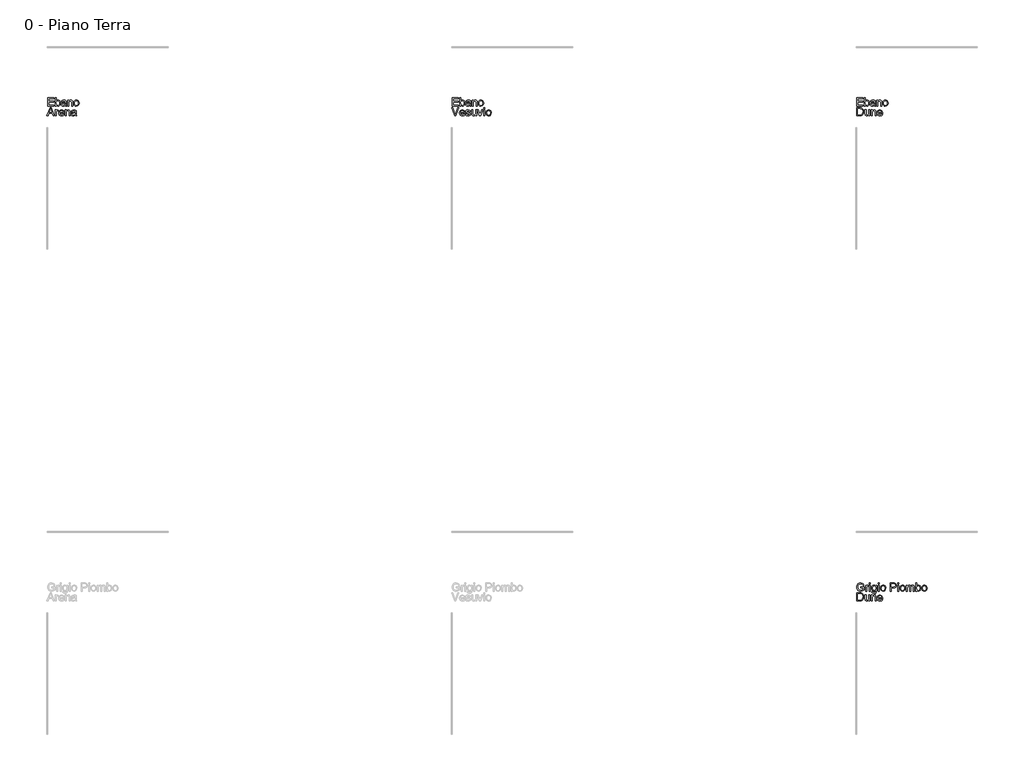
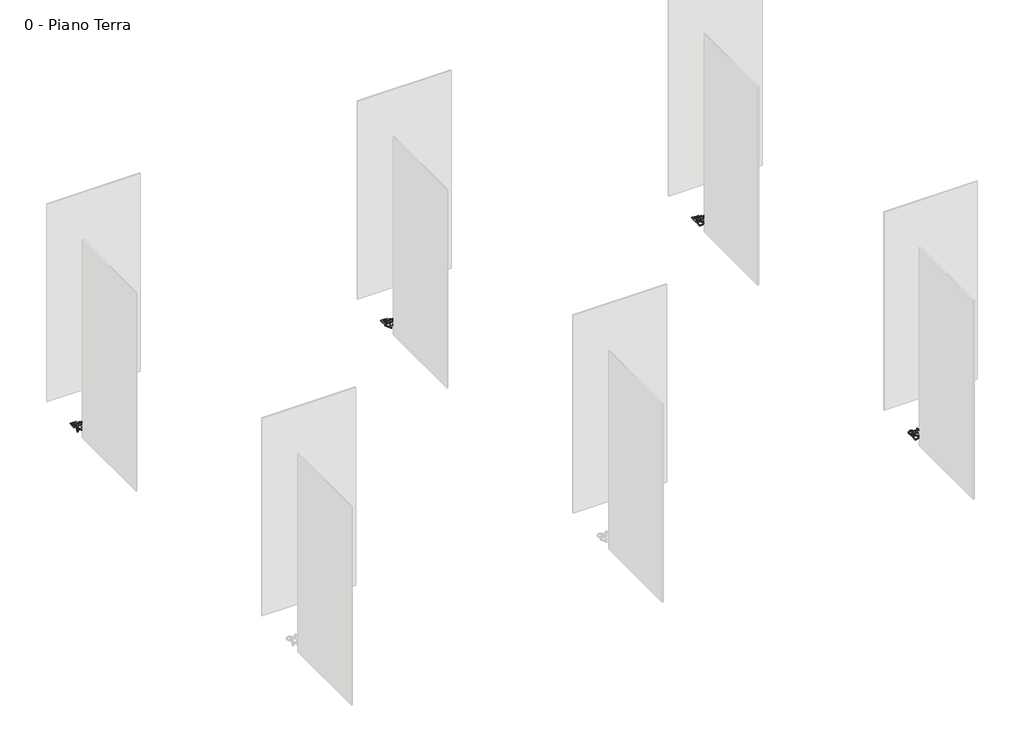
# One storey, part 9 of 35: 4 proxies.
"""IFC4 building model written with IfcOpenShell, lengths in millimetres."""

from ifc_helpers import new_model, si_unit, origin, origin_with_axes, place, context, project, spatial, polyline, outline, extrude, element, save

model = new_model("IFC4")

# Units and contexts
model_context = context("Model", 3, world=origin())
ifc_project = project(units=[si_unit("LENGTHUNIT", "METRE", prefix="MILLI")], contexts=[model_context])

# Site, building, storey
site = spatial("IfcSite", under=ifc_project)
building = spatial("IfcBuilding", under=site)
storey = spatial("IfcBuildingStorey", under=building, Name="0 - Piano Terra", Elevation=0.0)

# Proxies
placement = place(None, origin())
element("IfcBuildingElementProxy", 1, Name="Testo modello 1", ObjectType="Testo modello 1", at=placement, inside=storey, context=model_context, shape_type="SweptSolid", body=[
    extrude(outline(polyline([(-2268.2707509, -36273.7592352), (-2268.2707509, -36173.302925), (-2196.067778, -36173.302925), (-2196.067778, -36185.8599638), (-2255.7137122, -36185.8599638), (-2255.7137122, -36215.6829308), (-2199.2070377, -36215.6829308), (-2199.2070377, -36228.2399696), (-2255.7137122, -36228.2399696), (-2255.7137122, -36261.2021964), (-2194.4981482, -36261.2021964), (-2194.4981482, -36273.7592352), (-2268.2707509, -36273.7592352)])), origin_with_axes(), (0.0, 0.0, 1.0), 10.0),
    extrude(outline(polyline([(-2164.6751811, -36273.7592352), (-2177.2322199, -36273.7592352), (-2177.2322199, -36173.302925), (-2164.6751811, -36173.302925), (-2164.6751811, -36210.5571084), (-2155.8828014, -36201.452029), (-2144.9567061, -36198.4170025), (-2132.3751419, -36201.151592), (-2122.6140063, -36208.8403257), (-2116.6175298, -36220.7964906), (-2114.447026, -36235.7692878), (-2116.6941719, -36252.532444), (-2123.4356094, -36265.0036437), (-2133.3285694, -36272.7475597), (-2145.0302825, -36275.328865), (-2156.1955011, -36271.9995329), (-2164.6751811, -36262.0115368), (-2164.6751811, -36273.7592352)]), holes=[polyline([(-2164.6751811, -36236.357899), (-2161.2416158, -36253.9181329), (-2154.6626594, -36260.5584029), (-2146.1094031, -36262.7718262), (-2138.8621278, -36261.1408827), (-2132.6694475, -36256.2480522), (-2128.4204105, -36248.1239915), (-2127.0040648, -36236.7993574), (-2128.3621625, -36225.3091764), (-2132.4364556, -36217.2770862), (-2138.4359978, -36212.5498025), (-2145.5698428, -36210.9740413), (-2152.8171181, -36212.6049848), (-2159.0097984, -36217.4978154), (-2163.2588354, -36225.4747233), (-2164.6751811, -36236.357899)])]), origin_with_axes(), (0.0, 0.0, 1.0), 10.0),
    extrude(outline(polyline([(-2053.231462, -36264.3414561), (-2065.4083561, -36272.8517929), (-2078.8605743, -36275.328865), (-2089.3544083, -36273.8389429), (-2097.0952586, -36269.3691767), (-2101.8685275, -36262.5817539), (-2103.4596171, -36254.1388621), (-2101.0561214, -36244.2060482), (-2094.7408138, -36236.9955611), (-2085.9484341, -36232.8752828), (-2075.0836525, -36230.9868218), (-2053.3050384, -36226.6703398), (-2053.231462, -36223.8744366), (-2056.6895528, -36214.6038103), (-2070.5709667, -36210.9740413), (-2083.2751583, -36213.3897997), (-2089.3329485, -36221.9614502), (-2101.8899872, -36220.3918204), (-2096.4575964, -36208.1290872), (-2085.5192385, -36200.9431256), (-2068.9522859, -36198.4170025), (-2053.7342341, -36200.64882), (-2045.1380581, -36206.252889), (-2041.2875599, -36214.7754886), (-2040.6744232, -36225.7628975), (-2040.6744232, -36241.3856196), (-2040.0367611, -36263.2010219), (-2037.5351635, -36273.7592352), (-2050.0922023, -36273.7592352), (-2053.231462, -36264.3414561)]), holes=[polyline([(-2053.231462, -36239.2273785), (-2073.4894972, -36243.0778768), (-2084.2929651, -36245.1134905), (-2089.1857957, -36248.4244284), (-2090.9025783, -36253.2559453), (-2087.1624447, -36260.0494995), (-2076.1872985, -36262.7718262), (-2063.4831069, -36259.7674566), (-2055.2916012, -36252.4956558), (-2053.3050384, -36242.7835712), (-2053.231462, -36239.2273785)])]), origin_with_axes(), (0.0, 0.0, 1.0), 10.0),
    extrude(outline(polyline([(-2023.4084949, -36273.7592352), (-2023.4084949, -36199.9866324), (-2010.8514562, -36199.9866324), (-2010.8514562, -36210.2873283), (-2001.2497361, -36201.384584), (-1988.1408743, -36198.4170025), (-1976.2828114, -36200.8082355), (-1968.1894075, -36207.0867549), (-1964.4247484, -36216.320593), (-1963.7625608, -36228.4606988), (-1963.7625608, -36273.7592352), (-1976.3195996, -36273.7592352), (-1976.3195996, -36230.152956), (-1977.7666021, -36219.0429197), (-1982.8801618, -36213.1690705), (-1991.5008632, -36210.9740413), (-2005.1247598, -36215.90366), (-2009.4197821, -36223.0467021), (-2010.8514562, -36234.6165909), (-2010.8514562, -36273.7592352), (-2023.4084949, -36273.7592352)])), origin_with_axes(), (0.0, 0.0, 1.0), 10.0),
    extrude(outline(polyline([(-1949.6358922, -36236.8729338), (-1946.9196968, -36219.0858393), (-1938.7711106, -36206.5839828), (-1928.7034066, -36200.4587476), (-1916.6491399, -36198.4170025), (-1903.4575047, -36200.9032717), (-1892.9207512, -36208.3620791), (-1886.0137668, -36220.2048137), (-1883.7114386, -36235.8428642), (-1887.782666, -36258.185564), (-1899.640729, -36270.8284419), (-1916.6491399, -36275.328865), (-1930.0001907, -36272.8517929), (-1940.5246814, -36265.4205766), (-1947.3580895, -36253.3295217), (-1949.6358922, -36236.8729338)]), holes=[polyline([(-1937.0788534, -36236.8484083), (-1935.6257195, -36248.2128963), (-1931.2663179, -36256.3093658), (-1924.7057556, -36261.1562111), (-1916.6491399, -36262.7718262), (-1908.6293124, -36261.1470141), (-1902.0810129, -36256.2725776), (-1897.7216113, -36248.0688092), (-1896.2684774, -36236.4560008), (-1897.7308083, -36225.4226067), (-1902.1178011, -36217.4365017), (-1908.6752977, -36212.5896564), (-1916.6491399, -36210.9740413), (-1924.7057556, -36212.583525), (-1931.2663179, -36217.4119762), (-1935.6257195, -36225.4900517), (-1937.0788534, -36236.8484083)])]), origin_with_axes(), (0.0, 0.0, 1.0), 10.0),
    extrude(outline(polyline([(-2268.2707509, -36395.734053), (-2268.2707509, -36295.2777428), (-2233.616267, -36295.2777428), (-2215.6881511, -36296.7247454), (-2200.9238203, -36303.910707), (-2189.0289692, -36321.0785334), (-2185.0803691, -36344.9663377), (-2187.7536449, -36365.2366356), (-2194.6207755, -36379.8660763), (-2203.7932999, -36388.977287), (-2215.7985157, -36394.0172704), (-2231.9485353, -36395.734053), (-2268.2707509, -36395.734053)]), holes=[polyline([(-2255.7137122, -36383.1770142), (-2233.4936396, -36383.1770142), (-2217.3313573, -36381.3621297), (-2208.0116801, -36376.2363073), (-2200.3719973, -36363.7651076), (-2197.6374079, -36344.7701339), (-2198.9771114, -36331.0849237), (-2202.9962222, -36320.9804316), (-2216.0315076, -36309.8458699), (-2233.8369962, -36307.8347816), (-2255.7137122, -36307.8347816), (-2255.7137122, -36383.1770142)])]), origin_with_axes(), (0.0, 0.0, 1.0), 10.0),
    extrude(outline(polyline([(-2122.2951752, -36395.734053), (-2122.2951752, -36383.0543869), (-2132.1298872, -36393.7413589), (-2144.9567061, -36397.3036828), (-2156.7657182, -36394.8020853), (-2164.908173, -36388.5235659), (-2168.6483066, -36379.2774651), (-2169.3840706, -36367.6033431), (-2169.3840706, -36321.9614502), (-2156.8270319, -36321.9614502), (-2156.8270319, -36361.6927057), (-2156.0667424, -36374.4949991), (-2151.1003355, -36382.0120546), (-2141.74387, -36384.7466441), (-2131.2592332, -36381.9507409), (-2124.3307889, -36374.3355836), (-2122.2951752, -36360.3438051), (-2122.2951752, -36321.9614502), (-2109.7381365, -36321.9614502), (-2109.7381365, -36395.734053), (-2122.2951752, -36395.734053)])), origin_with_axes(), (0.0, 0.0, 1.0), 10.0),
    extrude(outline(polyline([(-2092.4722082, -36395.734053), (-2092.4722082, -36321.9614502), (-2079.9151694, -36321.9614502), (-2079.9151694, -36332.2621461), (-2070.3134493, -36323.3594018), (-2057.2045876, -36320.3918204), (-2045.3465246, -36322.7830534), (-2037.2531207, -36329.0615727), (-2033.4884616, -36338.2954108), (-2032.826274, -36350.4355167), (-2032.826274, -36395.734053), (-2045.3833128, -36395.734053), (-2045.3833128, -36352.1277738), (-2046.8303153, -36341.0177376), (-2051.943875, -36335.1438884), (-2060.5645764, -36332.9488592), (-2074.188473, -36337.8784779), (-2078.4834953, -36345.02152), (-2079.9151694, -36356.5914087), (-2079.9151694, -36395.734053), (-2092.4722082, -36395.734053)])), origin_with_axes(), (0.0, 0.0, 1.0), 10.0),
    extrude(outline(polyline([(-1963.9097136, -36373.7592352), (-1951.5979295, -36375.328865), (-1956.0339732, -36384.6056226), (-1963.1126359, -36391.5401983), (-1972.6745021, -36395.8628117), (-1984.5601562, -36397.3036828), (-1999.2938302, -36394.8174137), (-2010.630727, -36387.3586062), (-2017.8596082, -36375.4116384), (-2020.2692352, -36359.4608883), (-2017.8350827, -36342.9736435), (-2010.5326251, -36330.6434653), (-1999.3490125, -36322.9547316), (-1985.2713948, -36320.3918204), (-1971.6321698, -36322.9486003), (-1960.7336657, -36330.6189399), (-1953.5875579, -36342.9245926), (-1951.205522, -36359.3873119), (-1951.2790984, -36362.7718262), (-2007.7121965, -36362.7718262), (-2005.538627, -36372.1712112), (-2000.4894466, -36379.0812613), (-1993.2023174, -36383.3302984), (-1984.3149016, -36384.7466441), (-1972.0031175, -36382.1224192), (-1963.9097136, -36373.7592352)]), holes=[polyline([(-2007.7121965, -36350.2147875), (-1963.7625608, -36350.2147875), (-1968.7902814, -36338.8349711), (-1976.1111331, -36334.4203871), (-1985.3204457, -36332.9488592), (-2000.7837522, -36337.645486), (-2005.6489916, -36343.1361247), (-2007.7121965, -36350.2147875)])]), origin_with_axes(), (0.0, 0.0, 1.0), 10.0),
])
element("IfcBuildingElementProxy", 2, Name="Testo modello 1", ObjectType="Testo modello 1", at=placement, inside=storey, context=model_context, shape_type="SweptSolid", body=[
    extrude(outline(polyline([(-7268.2707509, -36273.7592352), (-7268.2707509, -36173.302925), (-7196.067778, -36173.302925), (-7196.067778, -36185.8599638), (-7255.7137122, -36185.8599638), (-7255.7137122, -36215.6829308), (-7199.2070377, -36215.6829308), (-7199.2070377, -36228.2399696), (-7255.7137122, -36228.2399696), (-7255.7137122, -36261.2021964), (-7194.4981482, -36261.2021964), (-7194.4981482, -36273.7592352), (-7268.2707509, -36273.7592352)])), origin_with_axes(), (0.0, 0.0, 1.0), 10.0),
    extrude(outline(polyline([(-7164.6751811, -36273.7592352), (-7177.2322199, -36273.7592352), (-7177.2322199, -36173.302925), (-7164.6751811, -36173.302925), (-7164.6751811, -36210.5571084), (-7155.8828014, -36201.452029), (-7144.9567061, -36198.4170025), (-7132.3751419, -36201.151592), (-7122.6140063, -36208.8403257), (-7116.6175298, -36220.7964906), (-7114.447026, -36235.7692878), (-7116.6941719, -36252.532444), (-7123.4356094, -36265.0036437), (-7133.3285694, -36272.7475597), (-7145.0302825, -36275.328865), (-7156.1955011, -36271.9995329), (-7164.6751811, -36262.0115368), (-7164.6751811, -36273.7592352)]), holes=[polyline([(-7164.6751811, -36236.357899), (-7161.2416158, -36253.9181329), (-7154.6626594, -36260.5584029), (-7146.1094031, -36262.7718262), (-7138.8621278, -36261.1408827), (-7132.6694475, -36256.2480522), (-7128.4204105, -36248.1239915), (-7127.0040648, -36236.7993574), (-7128.3621625, -36225.3091764), (-7132.4364556, -36217.2770862), (-7138.4359978, -36212.5498025), (-7145.5698428, -36210.9740413), (-7152.8171181, -36212.6049848), (-7159.0097984, -36217.4978154), (-7163.2588354, -36225.4747233), (-7164.6751811, -36236.357899)])]), origin_with_axes(), (0.0, 0.0, 1.0), 10.0),
    extrude(outline(polyline([(-7053.231462, -36264.3414561), (-7065.4083561, -36272.8517929), (-7078.8605743, -36275.328865), (-7089.3544083, -36273.8389429), (-7097.0952586, -36269.3691767), (-7101.8685275, -36262.5817539), (-7103.4596171, -36254.1388621), (-7101.0561214, -36244.2060482), (-7094.7408138, -36236.9955611), (-7085.9484341, -36232.8752828), (-7075.0836525, -36230.9868218), (-7053.3050384, -36226.6703398), (-7053.231462, -36223.8744366), (-7056.6895528, -36214.6038103), (-7070.5709667, -36210.9740413), (-7083.2751583, -36213.3897997), (-7089.3329485, -36221.9614502), (-7101.8899872, -36220.3918204), (-7096.4575964, -36208.1290872), (-7085.5192385, -36200.9431256), (-7068.9522859, -36198.4170025), (-7053.7342341, -36200.64882), (-7045.1380581, -36206.252889), (-7041.2875599, -36214.7754886), (-7040.6744232, -36225.7628975), (-7040.6744232, -36241.3856196), (-7040.0367611, -36263.2010219), (-7037.5351635, -36273.7592352), (-7050.0922023, -36273.7592352), (-7053.231462, -36264.3414561)]), holes=[polyline([(-7053.231462, -36239.2273785), (-7073.4894972, -36243.0778768), (-7084.2929651, -36245.1134905), (-7089.1857957, -36248.4244284), (-7090.9025783, -36253.2559453), (-7087.1624447, -36260.0494995), (-7076.1872985, -36262.7718262), (-7063.4831069, -36259.7674566), (-7055.2916012, -36252.4956558), (-7053.3050384, -36242.7835712), (-7053.231462, -36239.2273785)])]), origin_with_axes(), (0.0, 0.0, 1.0), 10.0),
    extrude(outline(polyline([(-7023.4084949, -36273.7592352), (-7023.4084949, -36199.9866324), (-7010.8514562, -36199.9866324), (-7010.8514562, -36210.2873283), (-7001.2497361, -36201.384584), (-6988.1408743, -36198.4170025), (-6976.2828114, -36200.8082355), (-6968.1894075, -36207.0867549), (-6964.4247484, -36216.320593), (-6963.7625608, -36228.4606988), (-6963.7625608, -36273.7592352), (-6976.3195996, -36273.7592352), (-6976.3195996, -36230.152956), (-6977.7666021, -36219.0429197), (-6982.8801618, -36213.1690705), (-6991.5008632, -36210.9740413), (-7005.1247598, -36215.90366), (-7009.4197821, -36223.0467021), (-7010.8514562, -36234.6165909), (-7010.8514562, -36273.7592352), (-7023.4084949, -36273.7592352)])), origin_with_axes(), (0.0, 0.0, 1.0), 10.0),
    extrude(outline(polyline([(-6949.6358922, -36236.8729338), (-6946.9196968, -36219.0858393), (-6938.7711106, -36206.5839828), (-6928.7034066, -36200.4587476), (-6916.6491399, -36198.4170025), (-6903.4575047, -36200.9032717), (-6892.9207512, -36208.3620791), (-6886.0137668, -36220.2048137), (-6883.7114386, -36235.8428642), (-6887.782666, -36258.185564), (-6899.640729, -36270.8284419), (-6916.6491399, -36275.328865), (-6930.0001907, -36272.8517929), (-6940.5246814, -36265.4205766), (-6947.3580895, -36253.3295217), (-6949.6358922, -36236.8729338)]), holes=[polyline([(-6937.0788534, -36236.8484083), (-6935.6257195, -36248.2128963), (-6931.2663179, -36256.3093658), (-6924.7057556, -36261.1562111), (-6916.6491399, -36262.7718262), (-6908.6293124, -36261.1470141), (-6902.0810129, -36256.2725776), (-6897.7216113, -36248.0688092), (-6896.2684774, -36236.4560008), (-6897.7308083, -36225.4226067), (-6902.1178011, -36217.4365017), (-6908.6752977, -36212.5896564), (-6916.6491399, -36210.9740413), (-6924.7057556, -36212.583525), (-6931.2663179, -36217.4119762), (-6935.6257195, -36225.4900517), (-6937.0788534, -36236.8484083)])]), origin_with_axes(), (0.0, 0.0, 1.0), 10.0),
    extrude(outline(polyline([(-7238.5949366, -36395.734053), (-7278.5714468, -36295.2777428), (-7265.1314912, -36295.2777428), (-7238.3742074, -36367.652394), (-7232.9540794, -36383.9618292), (-7227.6075277, -36367.652394), (-7200.7766675, -36295.2777428), (-7187.336712, -36295.2777428), (-7225.620965, -36395.734053), (-7238.5949366, -36395.734053)])), origin_with_axes(), (0.0, 0.0, 1.0), 10.0),
    extrude(outline(polyline([(-7125.5815877, -36373.7592352), (-7113.2698036, -36375.328865), (-7117.7058473, -36384.6056226), (-7124.7845101, -36391.5401983), (-7134.3463763, -36395.8628117), (-7146.2320304, -36397.3036828), (-7160.9657043, -36394.8174137), (-7172.3026011, -36387.3586062), (-7179.5314823, -36375.4116384), (-7181.9411094, -36359.4608883), (-7179.5069569, -36342.9736435), (-7172.2044993, -36330.6434653), (-7161.0208866, -36322.9547316), (-7146.9432689, -36320.3918204), (-7133.3040439, -36322.9486003), (-7122.4055398, -36330.6189399), (-7115.2594321, -36342.9245926), (-7112.8773962, -36359.3873119), (-7112.9509726, -36362.7718262), (-7169.3840706, -36362.7718262), (-7167.2105012, -36372.1712112), (-7162.1613208, -36379.0812613), (-7154.8741916, -36383.3302984), (-7145.9867757, -36384.7466441), (-7133.6749916, -36382.1224192), (-7125.5815877, -36373.7592352)]), holes=[polyline([(-7169.3840706, -36350.2147875), (-7125.4344349, -36350.2147875), (-7130.4621555, -36338.8349711), (-7137.7830072, -36334.4203871), (-7146.9923198, -36332.9488592), (-7162.4556264, -36337.645486), (-7167.3208658, -36343.1361247), (-7169.3840706, -36350.2147875)])]), origin_with_axes(), (0.0, 0.0, 1.0), 10.0),
    extrude(outline(polyline([(-7105.0292469, -36373.7592352), (-7092.4722082, -36372.1896053), (-7086.6596726, -36381.5092825), (-7073.3423444, -36384.7466441), (-7060.540051, -36381.7790626), (-7056.3707217, -36374.8138302), (-7060.5645764, -36369.1729729), (-7073.4894972, -36365.5922549), (-7092.3986318, -36359.4486255), (-7100.6514512, -36352.2749266), (-7103.4596171, -36342.145909), (-7101.2032742, -36332.7894436), (-7095.0473821, -36325.6402702), (-7087.0643428, -36321.924662), (-7076.2608749, -36320.3918204), (-7060.9815094, -36322.8566298), (-7051.2694247, -36329.5275566), (-7046.9529426, -36340.7970084), (-7059.5099814, -36342.3666382), (-7064.2311337, -36335.438194), (-7075.2798563, -36332.9488592), (-7087.2973348, -36335.3278294), (-7090.9025783, -36340.8705848), (-7089.4065249, -36344.5248793), (-7084.7221608, -36347.296257), (-7073.9064301, -36349.9695328), (-7055.4755422, -36355.8801702), (-7046.9161544, -36362.5756225), (-7043.8136829, -36373.489455), (-7047.4557147, -36385.5069335), (-7057.964877, -36394.2257368), (-7073.5140227, -36397.3036828), (-7086.1752947, -36395.8198921), (-7095.4152641, -36391.36852), (-7101.5834189, -36383.9986174), (-7105.0292469, -36373.7592352)])), origin_with_axes(), (0.0, 0.0, 1.0), 10.0),
    extrude(outline(polyline([(-6982.5981189, -36395.734053), (-6982.5981189, -36383.0543869), (-6992.4328309, -36393.7413589), (-7005.2596498, -36397.3036828), (-7017.0686619, -36394.8020853), (-7025.2111167, -36388.5235659), (-7028.9512503, -36379.2774651), (-7029.6870143, -36367.6033431), (-7029.6870143, -36321.9614502), (-7017.1299756, -36321.9614502), (-7017.1299756, -36361.6927057), (-7016.3696861, -36374.4949991), (-7011.4032792, -36382.0120546), (-7002.0468137, -36384.7466441), (-6991.5621769, -36381.9507409), (-6984.6337326, -36374.3355836), (-6982.5981189, -36360.3438051), (-6982.5981189, -36321.9614502), (-6970.0410802, -36321.9614502), (-6970.0410802, -36395.734053), (-6982.5981189, -36395.734053)])), origin_with_axes(), (0.0, 0.0, 1.0), 10.0),
    extrude(outline(polyline([(-6934.6753577, -36395.734053), (-6960.6233011, -36321.9614502), (-6947.3304983, -36321.9614502), (-6931.6096744, -36366.1563406), (-6926.8762594, -36381.0187732), (-6922.2409463, -36366.9902064), (-6906.4220205, -36321.9614502), (-6893.1292177, -36321.9614502), (-6918.75833, -36395.734053), (-6934.6753577, -36395.734053)])), origin_with_axes(), (0.0, 0.0, 1.0), 10.0),
    extrude(outline(polyline([(-6882.1418088, -36307.8347816), (-6882.1418088, -36295.2777428), (-6869.58477, -36295.2777428), (-6869.58477, -36307.8347816), (-6882.1418088, -36307.8347816)])), origin_with_axes(), (0.0, 0.0, 1.0), 10.0),
    extrude(outline(polyline([(-6882.1418088, -36395.734053), (-6882.1418088, -36321.9614502), (-6869.58477, -36321.9614502), (-6869.58477, -36395.734053), (-6882.1418088, -36395.734053)])), origin_with_axes(), (0.0, 0.0, 1.0), 10.0),
    extrude(outline(polyline([(-6853.8884716, -36358.8477516), (-6851.1722762, -36341.0606571), (-6843.02369, -36328.5588007), (-6832.955986, -36322.4335655), (-6820.9017193, -36320.3918204), (-6807.7100841, -36322.8780895), (-6797.1733306, -36330.336897), (-6790.2663462, -36342.1796315), (-6787.964018, -36357.817682), (-6792.0352454, -36380.1603819), (-6803.8933084, -36392.8032598), (-6820.9017193, -36397.3036828), (-6834.2527701, -36394.8266107), (-6844.7772608, -36387.3953944), (-6851.6106689, -36375.3043395), (-6853.8884716, -36358.8477516)]), holes=[polyline([(-6841.3314328, -36358.8232261), (-6839.8782989, -36370.1877141), (-6835.5188973, -36378.2841837), (-6828.958335, -36383.131029), (-6820.9017193, -36384.7466441), (-6812.8818918, -36383.1218319), (-6806.3335923, -36378.2473955), (-6801.9741907, -36370.043627), (-6800.5210568, -36358.4308187), (-6801.9833877, -36347.3974245), (-6806.3703805, -36339.4113195), (-6812.9278771, -36334.5644742), (-6820.9017193, -36332.9488592), (-6828.958335, -36334.5583429), (-6835.5188973, -36339.3867941), (-6839.8782989, -36347.4648695), (-6841.3314328, -36358.8232261)])]), origin_with_axes(), (0.0, 0.0, 1.0), 10.0),
])
element("IfcBuildingElementProxy", 3, Name="Testo modello 1", ObjectType="Testo modello 1", at=placement, inside=storey, context=model_context, shape_type="SweptSolid", body=[
    extrude(outline(polyline([(-12268.2707509, -36273.7592352), (-12268.2707509, -36173.302925), (-12196.067778, -36173.302925), (-12196.067778, -36185.8599638), (-12255.7137122, -36185.8599638), (-12255.7137122, -36215.6829308), (-12199.2070377, -36215.6829308), (-12199.2070377, -36228.2399696), (-12255.7137122, -36228.2399696), (-12255.7137122, -36261.2021964), (-12194.4981482, -36261.2021964), (-12194.4981482, -36273.7592352), (-12268.2707509, -36273.7592352)])), origin_with_axes(), (0.0, 0.0, 1.0), 10.0),
    extrude(outline(polyline([(-12164.6751811, -36273.7592352), (-12177.2322199, -36273.7592352), (-12177.2322199, -36173.302925), (-12164.6751811, -36173.302925), (-12164.6751811, -36210.5571084), (-12155.8828014, -36201.452029), (-12144.9567061, -36198.4170025), (-12132.3751419, -36201.151592), (-12122.6140063, -36208.8403257), (-12116.6175298, -36220.7964906), (-12114.447026, -36235.7692878), (-12116.6941719, -36252.532444), (-12123.4356094, -36265.0036437), (-12133.3285694, -36272.7475597), (-12145.0302825, -36275.328865), (-12156.1955011, -36271.9995329), (-12164.6751811, -36262.0115368), (-12164.6751811, -36273.7592352)]), holes=[polyline([(-12164.6751811, -36236.357899), (-12161.2416158, -36253.9181329), (-12154.6626594, -36260.5584029), (-12146.1094031, -36262.7718262), (-12138.8621278, -36261.1408827), (-12132.6694475, -36256.2480522), (-12128.4204105, -36248.1239915), (-12127.0040648, -36236.7993574), (-12128.3621625, -36225.3091764), (-12132.4364556, -36217.2770862), (-12138.4359978, -36212.5498025), (-12145.5698428, -36210.9740413), (-12152.8171181, -36212.6049848), (-12159.0097984, -36217.4978154), (-12163.2588354, -36225.4747233), (-12164.6751811, -36236.357899)])]), origin_with_axes(), (0.0, 0.0, 1.0), 10.0),
    extrude(outline(polyline([(-12053.231462, -36264.3414561), (-12065.4083561, -36272.8517929), (-12078.8605743, -36275.328865), (-12089.3544083, -36273.8389429), (-12097.0952586, -36269.3691767), (-12101.8685275, -36262.5817539), (-12103.4596171, -36254.1388621), (-12101.0561214, -36244.2060482), (-12094.7408138, -36236.9955611), (-12085.9484341, -36232.8752828), (-12075.0836525, -36230.9868218), (-12053.3050384, -36226.6703398), (-12053.231462, -36223.8744366), (-12056.6895528, -36214.6038103), (-12070.5709667, -36210.9740413), (-12083.2751583, -36213.3897997), (-12089.3329485, -36221.9614502), (-12101.8899872, -36220.3918204), (-12096.4575964, -36208.1290872), (-12085.5192385, -36200.9431256), (-12068.9522859, -36198.4170025), (-12053.7342341, -36200.64882), (-12045.1380581, -36206.252889), (-12041.2875599, -36214.7754886), (-12040.6744232, -36225.7628975), (-12040.6744232, -36241.3856196), (-12040.0367611, -36263.2010219), (-12037.5351635, -36273.7592352), (-12050.0922023, -36273.7592352), (-12053.231462, -36264.3414561)]), holes=[polyline([(-12053.231462, -36239.2273785), (-12073.4894972, -36243.0778768), (-12084.2929651, -36245.1134905), (-12089.1857957, -36248.4244284), (-12090.9025783, -36253.2559453), (-12087.1624447, -36260.0494995), (-12076.1872985, -36262.7718262), (-12063.4831069, -36259.7674566), (-12055.2916012, -36252.4956558), (-12053.3050384, -36242.7835712), (-12053.231462, -36239.2273785)])]), origin_with_axes(), (0.0, 0.0, 1.0), 10.0),
    extrude(outline(polyline([(-12023.4084949, -36273.7592352), (-12023.4084949, -36199.9866324), (-12010.8514562, -36199.9866324), (-12010.8514562, -36210.2873283), (-12001.2497361, -36201.384584), (-11988.1408743, -36198.4170025), (-11976.2828114, -36200.8082355), (-11968.1894075, -36207.0867549), (-11964.4247484, -36216.320593), (-11963.7625608, -36228.4606988), (-11963.7625608, -36273.7592352), (-11976.3195996, -36273.7592352), (-11976.3195996, -36230.152956), (-11977.7666021, -36219.0429197), (-11982.8801618, -36213.1690705), (-11991.5008632, -36210.9740413), (-12005.1247598, -36215.90366), (-12009.4197821, -36223.0467021), (-12010.8514562, -36234.6165909), (-12010.8514562, -36273.7592352), (-12023.4084949, -36273.7592352)])), origin_with_axes(), (0.0, 0.0, 1.0), 10.0),
    extrude(outline(polyline([(-11949.6358922, -36236.8729338), (-11946.9196968, -36219.0858393), (-11938.7711106, -36206.5839828), (-11928.7034066, -36200.4587476), (-11916.6491399, -36198.4170025), (-11903.4575047, -36200.9032717), (-11892.9207512, -36208.3620791), (-11886.0137668, -36220.2048137), (-11883.7114386, -36235.8428642), (-11887.782666, -36258.185564), (-11899.640729, -36270.8284419), (-11916.6491399, -36275.328865), (-11930.0001907, -36272.8517929), (-11940.5246814, -36265.4205766), (-11947.3580895, -36253.3295217), (-11949.6358922, -36236.8729338)]), holes=[polyline([(-11937.0788534, -36236.8484083), (-11935.6257195, -36248.2128963), (-11931.2663179, -36256.3093658), (-11924.7057556, -36261.1562111), (-11916.6491399, -36262.7718262), (-11908.6293124, -36261.1470141), (-11902.0810129, -36256.2725776), (-11897.7216113, -36248.0688092), (-11896.2684774, -36236.4560008), (-11897.7308083, -36225.4226067), (-11902.1178011, -36217.4365017), (-11908.6752977, -36212.5896564), (-11916.6491399, -36210.9740413), (-11924.7057556, -36212.583525), (-11931.2663179, -36217.4119762), (-11935.6257195, -36225.4900517), (-11937.0788534, -36236.8484083)])]), origin_with_axes(), (0.0, 0.0, 1.0), 10.0),
    extrude(outline(polyline([(-12279.9693984, -36395.734053), (-12239.8702609, -36295.2777428), (-12229.1771576, -36295.2777428), (-12189.0780201, -36395.734053), (-12202.3462974, -36395.734053), (-12213.8487411, -36364.3414561), (-12255.2232028, -36364.3414561), (-12266.7011211, -36395.734053), (-12279.9693984, -36395.734053)]), holes=[polyline([(-12250.6124152, -36351.7844173), (-12218.4350033, -36351.7844173), (-12227.4849004, -36327.0872727), (-12234.5237092, -36307.8347816), (-12240.7777032, -36324.9290317), (-12250.6124152, -36351.7844173)])]), origin_with_axes(), (0.0, 0.0, 1.0), 10.0),
    extrude(outline(polyline([(-12177.2322199, -36395.734053), (-12177.2322199, -36321.9614502), (-12166.2448109, -36321.9614502), (-12166.2448109, -36332.8752828), (-12158.4457126, -36322.8198416), (-12150.5975634, -36320.3918204), (-12137.9914737, -36324.2668441), (-12142.1853284, -36335.5240331), (-12151.0144963, -36332.9488592), (-12158.1146188, -36335.4259313), (-12162.6395674, -36342.2930618), (-12164.6751811, -36356.9592907), (-12164.6751811, -36395.734053), (-12177.2322199, -36395.734053)])), origin_with_axes(), (0.0, 0.0, 1.0), 10.0),
    extrude(outline(polyline([(-12078.4926923, -36373.7592352), (-12066.1809082, -36375.328865), (-12070.616952, -36384.6056226), (-12077.6956147, -36391.5401983), (-12087.2574809, -36395.8628117), (-12099.143135, -36397.3036828), (-12113.8768089, -36394.8174137), (-12125.2137057, -36387.3586062), (-12132.4425869, -36375.4116384), (-12134.852214, -36359.4608883), (-12132.4180615, -36342.9736435), (-12125.1156039, -36330.6434653), (-12113.9319912, -36322.9547316), (-12099.8543735, -36320.3918204), (-12086.2151486, -36322.9486003), (-12075.3166445, -36330.6189399), (-12068.1705367, -36342.9245926), (-12065.7885008, -36359.3873119), (-12065.8620772, -36362.7718262), (-12122.2951752, -36362.7718262), (-12120.1216058, -36372.1712112), (-12115.0724254, -36379.0812613), (-12107.7852962, -36383.3302984), (-12098.8978803, -36384.7466441), (-12086.5860962, -36382.1224192), (-12078.4926923, -36373.7592352)]), holes=[polyline([(-12122.2951752, -36350.2147875), (-12078.3455395, -36350.2147875), (-12083.3732601, -36338.8349711), (-12090.6941119, -36334.4203871), (-12099.9034245, -36332.9488592), (-12115.366731, -36337.645486), (-12120.2319704, -36343.1361247), (-12122.2951752, -36350.2147875)])]), origin_with_axes(), (0.0, 0.0, 1.0), 10.0),
    extrude(outline(polyline([(-12053.231462, -36395.734053), (-12053.231462, -36321.9614502), (-12040.6744232, -36321.9614502), (-12040.6744232, -36332.2621461), (-12031.0727032, -36323.3594018), (-12017.9638414, -36320.3918204), (-12006.1057784, -36322.7830534), (-11998.0123745, -36329.0615727), (-11994.2477155, -36338.2954108), (-11993.5855279, -36350.4355167), (-11993.5855279, -36395.734053), (-12006.1425666, -36395.734053), (-12006.1425666, -36352.1277738), (-12007.5895691, -36341.0177376), (-12012.7031289, -36335.1438884), (-12021.3238303, -36332.9488592), (-12034.9477269, -36337.8784779), (-12039.2427491, -36345.02152), (-12040.6744232, -36356.5914087), (-12040.6744232, -36395.734053), (-12053.231462, -36395.734053)])), origin_with_axes(), (0.0, 0.0, 1.0), 10.0),
    extrude(outline(polyline([(-11929.2307042, -36386.3162739), (-11941.4075982, -36394.8266107), (-11954.8598165, -36397.3036828), (-11965.3536504, -36395.8137608), (-11973.0945007, -36391.3439945), (-11977.8677696, -36384.5565717), (-11979.4588592, -36376.1136799), (-11977.0553635, -36366.1808661), (-11970.740056, -36358.9703789), (-11961.9476763, -36354.8501006), (-11951.0828947, -36352.9616397), (-11929.3042806, -36348.6451576), (-11929.2307042, -36345.8492545), (-11932.6887949, -36336.5786282), (-11946.5702089, -36332.9488592), (-11959.2744004, -36335.3646176), (-11965.3321906, -36343.9362681), (-11977.8892294, -36342.3666382), (-11972.4568386, -36330.1039051), (-11961.5184806, -36322.9179434), (-11944.9515281, -36320.3918204), (-11929.7334762, -36322.6236378), (-11921.1373003, -36328.2277069), (-11917.2868021, -36336.7503064), (-11916.6736654, -36347.7377154), (-11916.6736654, -36363.3604374), (-11916.0360033, -36385.1758397), (-11913.5344057, -36395.734053), (-11926.0914445, -36395.734053), (-11929.2307042, -36386.3162739)]), holes=[polyline([(-11929.2307042, -36361.2021964), (-11949.4887394, -36365.0526946), (-11960.2922073, -36367.0883083), (-11965.1850378, -36370.3992463), (-11966.9018205, -36375.2307631), (-11963.1616869, -36382.0243173), (-11952.1865407, -36384.7466441), (-11939.4823491, -36381.7422744), (-11931.2908433, -36374.4704737), (-11929.3042806, -36364.758389), (-11929.2307042, -36361.2021964)])]), origin_with_axes(), (0.0, 0.0, 1.0), 10.0),
])
element("IfcBuildingElementProxy", 4, Name="Testo modello 1", ObjectType="Testo modello 1", at=placement, inside=storey, context=model_context, shape_type="SweptSolid", body=[
    extrude(outline(polyline([(-2221.1818555, -42234.518489), (-2221.1818555, -42221.9614502), (-2180.3714795, -42221.9614502), (-2180.3714795, -42259.5099392), (-2200.5191501, -42271.3557394), (-2221.8195177, -42275.328865), (-2235.9063324, -42273.7500381), (-2248.6381151, -42269.0135574), (-2259.2147225, -42261.2849698), (-2266.8360111, -42250.7298223), (-2271.4437331, -42238.0685503), (-2272.9796405, -42224.0215894), (-2271.4498645, -42209.873461), (-2266.8605366, -42196.7124826), (-2259.4017292, -42185.6729571), (-2249.2635145, -42177.8891872), (-2236.9149422, -42173.2722682), (-2222.8250618, -42171.7332952), (-2203.1801632, -42175.3017505), (-2189.4091139, -42185.2345644), (-2181.8184821, -42201.8505678), (-2193.3945022, -42205.1124549), (-2199.1211986, -42193.4996465), (-2208.9068596, -42186.8041942), (-2223.0212655, -42184.2903339), (-2239.0977087, -42187.000398), (-2250.0360667, -42194.1127832), (-2256.4985271, -42203.7880797), (-2260.4226017, -42223.5065546), (-2255.7014494, -42245.3955333), (-2241.9671883, -42258.4921324), (-2222.8250618, -42262.7718262), (-2205.6449726, -42259.5467274), (-2192.9285183, -42252.6673341), (-2192.9285183, -42234.518489), (-2221.1818555, -42234.518489)])), origin_with_axes(), (0.0, 0.0, 1.0), 10.0),
    extrude(outline(polyline([(-2161.5359214, -42273.7592352), (-2161.5359214, -42199.9866324), (-2150.5485125, -42199.9866324), (-2150.5485125, -42210.9004649), (-2142.7494142, -42200.8450237), (-2134.9012649, -42198.4170025), (-2122.2951752, -42202.2920262), (-2126.48903, -42213.5492153), (-2135.3181979, -42210.9740413), (-2142.4183204, -42213.4511134), (-2146.9432689, -42220.318244), (-2148.9788826, -42234.9844729), (-2148.9788826, -42273.7592352), (-2161.5359214, -42273.7592352)])), origin_with_axes(), (0.0, 0.0, 1.0), 10.0),
    extrude(outline(polyline([(-2114.447026, -42185.8599638), (-2114.447026, -42173.302925), (-2101.8899872, -42173.302925), (-2101.8899872, -42185.8599638), (-2114.447026, -42185.8599638)])), origin_with_axes(), (0.0, 0.0, 1.0), 10.0),
    extrude(outline(polyline([(-2114.447026, -42273.7592352), (-2114.447026, -42199.9866324), (-2101.8899872, -42199.9866324), (-2101.8899872, -42273.7592352), (-2114.447026, -42273.7592352)])), origin_with_axes(), (0.0, 0.0, 1.0), 10.0),
    extrude(outline(polyline([(-2086.1936888, -42280.0377545), (-2073.63665, -42281.6073844), (-2069.5654226, -42288.2292603), (-2057.3762658, -42291.0251635), (-2044.5249215, -42287.8613783), (-2038.3935549, -42278.9831595), (-2037.5351635, -42264.3414561), (-2046.3765942, -42271.4047904), (-2057.1555366, -42273.7592352), (-2070.1019172, -42271.0185143), (-2079.7557539, -42262.7963517), (-2085.7614274, -42250.742085), (-2087.7633186, -42236.5050518), (-2084.1703378, -42217.0440942), (-2073.7715401, -42203.2730449), (-2057.7686733, -42198.4170025), (-2046.5666665, -42201.1638548), (-2037.5351635, -42209.4044115), (-2037.5351635, -42199.9866324), (-2024.9781248, -42199.9866324), (-2024.9781248, -42263.6792685), (-2028.4116901, -42288.0698448), (-2039.2887344, -42299.4128729), (-2057.6215205, -42303.5822022), (-2069.3048395, -42302.1137399), (-2078.5049551, -42297.708353), (-2084.4063954, -42290.3537788), (-2086.1936888, -42280.0377545)]), holes=[polyline([(-2075.2062799, -42235.6466605), (-2073.8665763, -42247.1644326), (-2069.8474655, -42255.0830925), (-2063.8050037, -42259.6724204), (-2056.3952472, -42261.2021964), (-2049.0406729, -42259.6816175), (-2042.9675543, -42255.1198807), (-2038.8932612, -42247.3023883), (-2037.5351635, -42236.0145424), (-2038.9331151, -42225.1283011), (-2043.1269699, -42217.2893489), (-2049.2889933, -42212.5528682), (-2056.5914509, -42210.9740413), (-2063.7620841, -42212.5283427), (-2069.7738891, -42217.191247), (-2073.8481822, -42224.9137032), (-2075.2062799, -42235.6466605)])]), origin_with_axes(), (0.0, 0.0, 1.0), 10.0),
    extrude(outline(polyline([(-2006.1425666, -42185.8599638), (-2006.1425666, -42173.302925), (-1993.5855279, -42173.302925), (-1993.5855279, -42185.8599638), (-2006.1425666, -42185.8599638)])), origin_with_axes(), (0.0, 0.0, 1.0), 10.0),
    extrude(outline(polyline([(-2006.1425666, -42273.7592352), (-2006.1425666, -42199.9866324), (-1993.5855279, -42199.9866324), (-1993.5855279, -42273.7592352), (-2006.1425666, -42273.7592352)])), origin_with_axes(), (0.0, 0.0, 1.0), 10.0),
    extrude(outline(polyline([(-1977.8892294, -42236.8729338), (-1975.173034, -42219.0858393), (-1967.0244478, -42206.5839828), (-1956.9567439, -42200.4587476), (-1944.9024772, -42198.4170025), (-1931.710842, -42200.9032717), (-1921.1740885, -42208.3620791), (-1914.267104, -42220.2048137), (-1911.9647759, -42235.8428642), (-1916.0360033, -42258.185564), (-1927.8940663, -42270.8284419), (-1944.9024772, -42275.328865), (-1958.2535279, -42272.8517929), (-1968.7780187, -42265.4205766), (-1975.6114267, -42253.3295217), (-1977.8892294, -42236.8729338)]), holes=[polyline([(-1965.3321906, -42236.8484083), (-1963.8790567, -42248.2128963), (-1959.5196551, -42256.3093658), (-1952.9590929, -42261.1562111), (-1944.9024772, -42262.7718262), (-1936.8826497, -42261.1470141), (-1930.3343502, -42256.2725776), (-1925.9749485, -42248.0688092), (-1924.5218146, -42236.4560008), (-1925.9841456, -42225.4226067), (-1930.3711384, -42217.4365017), (-1936.9286349, -42212.5896564), (-1944.9024772, -42210.9740413), (-1952.9590929, -42212.583525), (-1959.5196551, -42217.4119762), (-1963.8790567, -42225.4900517), (-1965.3321906, -42236.8484083)])]), origin_with_axes(), (0.0, 0.0, 1.0), 10.0),
    extrude(outline(polyline([(-1857.0277312, -42273.7592352), (-1857.0277312, -42173.302925), (-1819.7980733, -42173.302925), (-1804.7884879, -42174.2594182), (-1792.5870684, -42178.956045), (-1784.6776055, -42188.6681297), (-1781.6854986, -42202.3656026), (-1783.7057839, -42214.2052715), (-1789.7666398, -42224.0706403), (-1801.1004709, -42230.7293044), (-1818.939682, -42232.9488592), (-1844.4706925, -42232.9488592), (-1844.4706925, -42273.7592352), (-1857.0277312, -42273.7592352)]), holes=[polyline([(-1844.4706925, -42220.3918204), (-1818.203918, -42220.3918204), (-1799.7117164, -42215.7810327), (-1795.6098322, -42210.232146), (-1794.2425374, -42202.807061), (-1797.4676362, -42192.4082633), (-1805.9411849, -42186.7183551), (-1818.4982236, -42185.8599638), (-1844.4706925, -42185.8599638), (-1844.4706925, -42220.3918204)])]), origin_with_axes(), (0.0, 0.0, 1.0), 10.0),
    extrude(outline(polyline([(-1765.9892002, -42185.8599638), (-1765.9892002, -42173.302925), (-1753.4321614, -42173.302925), (-1753.4321614, -42185.8599638), (-1765.9892002, -42185.8599638)])), origin_with_axes(), (0.0, 0.0, 1.0), 10.0),
    extrude(outline(polyline([(-1765.9892002, -42273.7592352), (-1765.9892002, -42199.9866324), (-1753.4321614, -42199.9866324), (-1753.4321614, -42273.7592352), (-1765.9892002, -42273.7592352)])), origin_with_axes(), (0.0, 0.0, 1.0), 10.0),
    extrude(outline(polyline([(-1737.7358629, -42236.8729338), (-1735.0196675, -42219.0858393), (-1726.8710814, -42206.5839828), (-1716.8033774, -42200.4587476), (-1704.7491107, -42198.4170025), (-1691.5574755, -42200.9032717), (-1681.020722, -42208.3620791), (-1674.1137376, -42220.2048137), (-1671.8114094, -42235.8428642), (-1675.8826368, -42258.185564), (-1687.7406998, -42270.8284419), (-1704.7491107, -42275.328865), (-1718.1001615, -42272.8517929), (-1728.6246522, -42265.4205766), (-1735.4580603, -42253.3295217), (-1737.7358629, -42236.8729338)]), holes=[polyline([(-1725.1788242, -42236.8484083), (-1723.7256903, -42248.2128963), (-1719.3662887, -42256.3093658), (-1712.8057264, -42261.1562111), (-1704.7491107, -42262.7718262), (-1696.7292832, -42261.1470141), (-1690.1809837, -42256.2725776), (-1685.8215821, -42248.0688092), (-1684.3684482, -42236.4560008), (-1685.8307791, -42225.4226067), (-1690.2177719, -42217.4365017), (-1696.7752685, -42212.5896564), (-1704.7491107, -42210.9740413), (-1712.8057264, -42212.583525), (-1719.3662887, -42217.4119762), (-1723.7256903, -42225.4900517), (-1725.1788242, -42236.8484083)])]), origin_with_axes(), (0.0, 0.0, 1.0), 10.0),
    extrude(outline(polyline([(-1657.6847408, -42273.7592352), (-1657.6847408, -42199.9866324), (-1645.127702, -42199.9866324), (-1645.127702, -42212.1267382), (-1636.4947379, -42202.1816616), (-1624.2074792, -42198.4170025), (-1611.625915, -42202.255238), (-1604.7097335, -42213.009655), (-1594.9118097, -42202.0651657), (-1582.5387119, -42198.4170025), (-1573.0994731, -42199.9345158), (-1566.1189122, -42204.4870555), (-1561.8054958, -42212.1972489), (-1560.3676903, -42223.1877235), (-1560.3676903, -42273.7592352), (-1572.9247291, -42273.7592352), (-1572.9247291, -42228.5833261), (-1574.0896888, -42218.0986893), (-1578.308069, -42212.9360786), (-1585.4817679, -42210.9740413), (-1597.8303402, -42216.0017619), (-1601.5183572, -42222.5439301), (-1602.7476962, -42232.1149933), (-1602.7476962, -42273.7592352), (-1615.304735, -42273.7592352), (-1615.304735, -42227.1853746), (-1618.2110027, -42215.0207433), (-1627.7391464, -42210.9740413), (-1637.0342981, -42213.6718426), (-1643.2147157, -42221.5690428), (-1645.127702, -42236.5541027), (-1645.127702, -42273.7592352), (-1657.6847408, -42273.7592352)])), origin_with_axes(), (0.0, 0.0, 1.0), 10.0),
    extrude(outline(polyline([(-1528.9750934, -42273.7592352), (-1541.5321322, -42273.7592352), (-1541.5321322, -42173.302925), (-1528.9750934, -42173.302925), (-1528.9750934, -42210.5571084), (-1520.1827137, -42201.452029), (-1509.2566185, -42198.4170025), (-1496.6750542, -42201.151592), (-1486.9139186, -42208.8403257), (-1480.9174421, -42220.7964906), (-1478.7469383, -42235.7692878), (-1480.9940842, -42252.532444), (-1487.7355218, -42265.0036437), (-1497.6284817, -42272.7475597), (-1509.3301949, -42275.328865), (-1520.4954134, -42271.9995329), (-1528.9750934, -42262.0115368), (-1528.9750934, -42273.7592352)]), holes=[polyline([(-1528.9750934, -42236.357899), (-1525.5415281, -42253.9181329), (-1518.9625718, -42260.5584029), (-1510.4093154, -42262.7718262), (-1503.1620401, -42261.1408827), (-1496.9693598, -42256.2480522), (-1492.7203228, -42248.1239915), (-1491.3039771, -42236.7993574), (-1492.6620748, -42225.3091764), (-1496.7363679, -42217.2770862), (-1502.7359101, -42212.5498025), (-1509.8697551, -42210.9740413), (-1517.1170304, -42212.6049848), (-1523.3097107, -42217.4978154), (-1527.5587477, -42225.4747233), (-1528.9750934, -42236.357899)])]), origin_with_axes(), (0.0, 0.0, 1.0), 10.0),
    extrude(outline(polyline([(-1467.7595294, -42236.8729338), (-1465.043334, -42219.0858393), (-1456.8947478, -42206.5839828), (-1446.8270439, -42200.4587476), (-1434.7727772, -42198.4170025), (-1421.581142, -42200.9032717), (-1411.0443885, -42208.3620791), (-1404.137404, -42220.2048137), (-1401.8350759, -42235.8428642), (-1405.9063033, -42258.185564), (-1417.7643663, -42270.8284419), (-1434.7727772, -42275.328865), (-1448.1238279, -42272.8517929), (-1458.6483187, -42265.4205766), (-1465.4817267, -42253.3295217), (-1467.7595294, -42236.8729338)]), holes=[polyline([(-1455.2024907, -42236.8484083), (-1453.7493568, -42248.2128963), (-1449.3899551, -42256.3093658), (-1442.8293929, -42261.1562111), (-1434.7727772, -42262.7718262), (-1426.7529497, -42261.1470141), (-1420.2046502, -42256.2725776), (-1415.8452485, -42248.0688092), (-1414.3921147, -42236.4560008), (-1415.8544456, -42225.4226067), (-1420.2414384, -42217.4365017), (-1426.7989349, -42212.5896564), (-1434.7727772, -42210.9740413), (-1442.8293929, -42212.583525), (-1449.3899551, -42217.4119762), (-1453.7493568, -42225.4900517), (-1455.2024907, -42236.8484083)])]), origin_with_axes(), (0.0, 0.0, 1.0), 10.0),
    extrude(outline(polyline([(-2268.2707509, -42395.734053), (-2268.2707509, -42295.2777428), (-2233.616267, -42295.2777428), (-2215.6881511, -42296.7247454), (-2200.9238203, -42303.910707), (-2189.0289692, -42321.0785334), (-2185.0803691, -42344.9663377), (-2187.7536449, -42365.2366356), (-2194.6207755, -42379.8660763), (-2203.7932999, -42388.977287), (-2215.7985157, -42394.0172704), (-2231.9485353, -42395.734053), (-2268.2707509, -42395.734053)]), holes=[polyline([(-2255.7137122, -42383.1770142), (-2233.4936396, -42383.1770142), (-2217.3313573, -42381.3621297), (-2208.0116801, -42376.2363073), (-2200.3719973, -42363.7651076), (-2197.6374079, -42344.7701339), (-2198.9771114, -42331.0849237), (-2202.9962222, -42320.9804316), (-2216.0315076, -42309.8458699), (-2233.8369962, -42307.8347816), (-2255.7137122, -42307.8347816), (-2255.7137122, -42383.1770142)])]), origin_with_axes(), (0.0, 0.0, 1.0), 10.0),
    extrude(outline(polyline([(-2122.2951752, -42395.734053), (-2122.2951752, -42383.0543869), (-2132.1298872, -42393.7413589), (-2144.9567061, -42397.3036828), (-2156.7657182, -42394.8020853), (-2164.908173, -42388.5235659), (-2168.6483066, -42379.2774651), (-2169.3840706, -42367.6033431), (-2169.3840706, -42321.9614502), (-2156.8270319, -42321.9614502), (-2156.8270319, -42361.6927057), (-2156.0667424, -42374.4949991), (-2151.1003355, -42382.0120546), (-2141.74387, -42384.7466441), (-2131.2592332, -42381.9507409), (-2124.3307889, -42374.3355836), (-2122.2951752, -42360.3438051), (-2122.2951752, -42321.9614502), (-2109.7381365, -42321.9614502), (-2109.7381365, -42395.734053), (-2122.2951752, -42395.734053)])), origin_with_axes(), (0.0, 0.0, 1.0), 10.0),
    extrude(outline(polyline([(-2092.4722082, -42395.734053), (-2092.4722082, -42321.9614502), (-2079.9151694, -42321.9614502), (-2079.9151694, -42332.2621461), (-2070.3134493, -42323.3594018), (-2057.2045876, -42320.3918204), (-2045.3465246, -42322.7830534), (-2037.2531207, -42329.0615727), (-2033.4884616, -42338.2954108), (-2032.826274, -42350.4355167), (-2032.826274, -42395.734053), (-2045.3833128, -42395.734053), (-2045.3833128, -42352.1277738), (-2046.8303153, -42341.0177376), (-2051.943875, -42335.1438884), (-2060.5645764, -42332.9488592), (-2074.188473, -42337.8784779), (-2078.4834953, -42345.02152), (-2079.9151694, -42356.5914087), (-2079.9151694, -42395.734053), (-2092.4722082, -42395.734053)])), origin_with_axes(), (0.0, 0.0, 1.0), 10.0),
    extrude(outline(polyline([(-1963.9097136, -42373.7592352), (-1951.5979295, -42375.328865), (-1956.0339732, -42384.6056226), (-1963.1126359, -42391.5401983), (-1972.6745021, -42395.8628117), (-1984.5601562, -42397.3036828), (-1999.2938302, -42394.8174137), (-2010.630727, -42387.3586062), (-2017.8596082, -42375.4116384), (-2020.2692352, -42359.4608883), (-2017.8350827, -42342.9736435), (-2010.5326251, -42330.6434653), (-1999.3490125, -42322.9547316), (-1985.2713948, -42320.3918204), (-1971.6321698, -42322.9486003), (-1960.7336657, -42330.6189399), (-1953.5875579, -42342.9245926), (-1951.205522, -42359.3873119), (-1951.2790984, -42362.7718262), (-2007.7121965, -42362.7718262), (-2005.538627, -42372.1712112), (-2000.4894466, -42379.0812613), (-1993.2023174, -42383.3302984), (-1984.3149016, -42384.7466441), (-1972.0031175, -42382.1224192), (-1963.9097136, -42373.7592352)]), holes=[polyline([(-2007.7121965, -42350.2147875), (-1963.7625608, -42350.2147875), (-1968.7902814, -42338.8349711), (-1976.1111331, -42334.4203871), (-1985.3204457, -42332.9488592), (-2000.7837522, -42337.645486), (-2005.6489916, -42343.1361247), (-2007.7121965, -42350.2147875)])]), origin_with_axes(), (0.0, 0.0, 1.0), 10.0),
])

save(model, "model.ifc")
